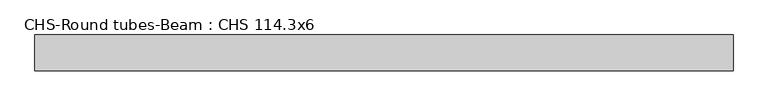
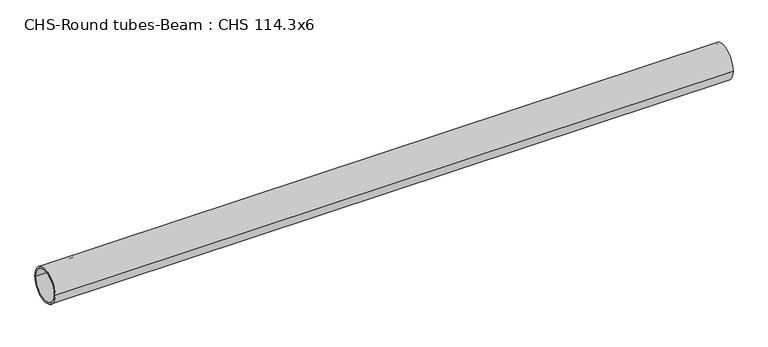
"""IFC4 building model written with IfcOpenShell, lengths in millimetres: beam geometry, CHS-Round tubes-Beam : CHS 114.3x6."""

import ifcopenshell
import ifcopenshell.guid

model = None  # the IFC model being written
_history = None  # IfcOwnerHistory: only IFC2X3 demands one
_inside = {}  # id of a spatial element -> (the spatial element, [elements in it])
_under = {}  # id of a project, library or spatial element -> (it, [spatial elements below it])
_declared = {}  # id of a project -> (the project, [libraries it declares])
_typed = {}  # id of a type object -> (the type object, [elements of that type])
_made_of = {}  # id of a material, layer set ... -> (it, [elements and type objects made of it])


def new_model(schema):
    """Start an empty IFC model of exactly this schema.

    Asked for "IFC4X3", IfcOpenShell would pick the latest addendum, in which some entities
    have other attributes; the version numbers below select the first issue.
    IFC2X3 requires an IfcOwnerHistory on every rooted entity: one is made here for all.
    """
    global model, _history
    if schema == "IFC4X3":
        model = ifcopenshell.file(schema_version=(4, 3, 0, 0))
    else:
        model = ifcopenshell.file(schema=schema)
    _inside.clear()
    _under.clear()
    _declared.clear()
    _typed.clear()
    _made_of.clear()
    _history = None
    if model.schema == "IFC2X3":
        org = make("IfcOrganization", Name="unknown")
        user = make(
            "IfcPersonAndOrganization",
            ThePerson=make("IfcPerson", FamilyName="unknown"),
            TheOrganization=org,
        )
        app = make(
            "IfcApplication",
            ApplicationDeveloper=org,
            Version="unknown",
            ApplicationFullName="unknown",
            ApplicationIdentifier="unknown",
        )
        _history = make(
            "IfcOwnerHistory",
            OwningUser=user,
            OwningApplication=app,
            ChangeAction="ADDED",
            CreationDate=0,
        )
    return model


def make(cls, **values):
    """One entity of the class cls with the attributes given. An attribute that is None is left unset."""
    return model.create_entity(
        cls, **{name: value for name, value in values.items() if value is not None}
    )


def rooted(cls, **values):
    """An entity with a GlobalId (a new one), such as an element, a storey or a relation."""
    return make(cls, GlobalId=ifcopenshell.guid.new(), OwnerHistory=_history, **values)


def si_unit(unit_type, name, prefix=None):
    """IfcSIUnit, for example si_unit("LENGTHUNIT", "METRE", prefix="MILLI")."""
    return make("IfcSIUnit", UnitType=unit_type, Prefix=prefix, Name=name)


def assignment(units):
    """IfcUnitAssignment: the units of a project."""
    return None if units is None else make("IfcUnitAssignment", Units=units)


def point(xyz):
    """IfcCartesianPoint."""
    return None if xyz is None else make("IfcCartesianPoint", Coordinates=xyz)


def direction(xyz):
    """IfcDirection."""
    return None if xyz is None else make("IfcDirection", DirectionRatios=xyz)


def frame(location, z_axis=None, x_axis=None):
    """IfcAxis2Placement3D, a coordinate frame: its origin and axes. An axis left out is left unset."""
    return make(
        "IfcAxis2Placement3D",
        Location=point(location),
        Axis=direction(z_axis),
        RefDirection=direction(x_axis),
    )


def frame_2d(location, x_axis=None):
    """IfcAxis2Placement2D, a coordinate frame in the plane: its origin and x axis."""
    return make(
        "IfcAxis2Placement2D", Location=point(location), RefDirection=direction(x_axis)
    )


def origin():
    """The frame at (0, 0, 0) with its axes left unset."""
    return frame((0.0, 0.0, 0.0))


def origin_2d():
    """The frame at (0, 0) in the plane with its x axis left unset."""
    return frame_2d((0.0, 0.0))


def place(relative_to, where):
    """IfcLocalPlacement: puts the frame where relative to a parent placement (None: the world)."""
    return make(
        "IfcLocalPlacement", PlacementRelTo=relative_to, RelativePlacement=where
    )


def context(
    kind, dimensions, precision=None, world=None, true_north=None, identifier=None
):
    """IfcGeometricRepresentationContext, for example the 3D "Model" context."""
    return make(
        "IfcGeometricRepresentationContext",
        ContextIdentifier=identifier,
        ContextType=kind,
        CoordinateSpaceDimension=dimensions,
        Precision=precision,
        WorldCoordinateSystem=world,
        TrueNorth=true_north,
    )


def project(units=None, contexts=None):
    """IfcProject with its units and contexts."""
    return rooted(
        "IfcProject",
        Name="project",
        RepresentationContexts=contexts,
        UnitsInContext=assignment(units),
    )


def spatial(cls, under=None, at=None, **own):
    """A site, building, storey or space (cls), placed at a placement, below another one or the project."""
    s = rooted(cls, ObjectPlacement=at, **own)
    if under is not None:
        _under.setdefault(under.id(), (under, []))[1].append(s)
    return s


def circle_curve(where, radius):
    """IfcCircle in the frame where."""
    return make("IfcCircle", Position=where, Radius=radius)


def trimmed(basis, trim1, trim2, sense, master):
    """IfcTrimmedCurve: the piece of a basis curve between two trims."""
    return make(
        "IfcTrimmedCurve",
        BasisCurve=basis,
        Trim1=trim1,
        Trim2=trim2,
        SenseAgreement=sense,
        MasterRepresentation=master,
    )


def segment(curve, same_sense, transition):
    """IfcCompositeCurveSegment."""
    return make(
        "IfcCompositeCurveSegment",
        Transition=transition,
        SameSense=same_sense,
        ParentCurve=curve,
    )


def composite_curve(segments, self_intersect=None):
    """IfcCompositeCurve: segments joined end to end."""
    return make("IfcCompositeCurve", Segments=segments, SelfIntersect=self_intersect)


def outline(outer, holes=None, kind="AREA"):
    """IfcArbitraryClosedProfileDef: a profile drawn as a closed curve; with holes, ...WithVoids."""
    if holes is None:
        return make("IfcArbitraryClosedProfileDef", ProfileType=kind, OuterCurve=outer)
    return make(
        "IfcArbitraryProfileDefWithVoids",
        ProfileType=kind,
        OuterCurve=outer,
        InnerCurves=holes,
    )


def extrude(swept, where, along, depth):
    """IfcExtrudedAreaSolid: the profile swept, set in the frame where, extruded along a direction by depth."""
    return make(
        "IfcExtrudedAreaSolid",
        SweptArea=swept,
        Position=where,
        ExtrudedDirection=direction(along),
        Depth=depth,
    )


def shape(context_of_items, identifier, shape_type, items):
    """IfcShapeRepresentation: the items that make up one representation, for example the "Body"."""
    return make(
        "IfcShapeRepresentation",
        ContextOfItems=context_of_items,
        RepresentationIdentifier=identifier,
        RepresentationType=shape_type,
        Items=items,
    )


def source(mapping_origin, context_of_items, identifier, shape_type, items):
    """IfcRepresentationMap: a shape defined once, which mapped items show again and again."""
    return make(
        "IfcRepresentationMap",
        MappingOrigin=mapping_origin,
        MappedRepresentation=shape(context_of_items, identifier, shape_type, items),
    )


def transform(
    local_origin,
    x_axis=None,
    y_axis=None,
    z_axis=None,
    scale=None,
    scale2=None,
    scale3=None,
    uniform=True,
):
    """IfcCartesianTransformationOperator3D, or its non-uniform kind. x_axis, y_axis, z_axis: its Axis1, 2, 3."""
    if uniform:
        return make(
            "IfcCartesianTransformationOperator3D",
            Axis1=direction(x_axis),
            Axis2=direction(y_axis),
            LocalOrigin=point(local_origin),
            Scale=scale,
            Axis3=direction(z_axis),
        )
    return make(
        "IfcCartesianTransformationOperator3DnonUniform",
        Axis1=direction(x_axis),
        Axis2=direction(y_axis),
        LocalOrigin=point(local_origin),
        Scale=scale,
        Axis3=direction(z_axis),
        Scale2=scale2,
        Scale3=scale3,
    )


def mapped(mapping_source, mapping_target):
    """IfcMappedItem: shows the shape of a source again, moved by a transform."""
    return make(
        "IfcMappedItem", MappingSource=mapping_source, MappingTarget=mapping_target
    )


def made_of(thing, what):
    """Note that an element or type object is made of a material, layer set ...; save() writes the relation."""
    if what is not None:
        _made_of.setdefault(what.id(), (what, []))[1].append(thing)
    return thing


def element(
    cls,
    number,
    at=None,
    inside=None,
    cuts=None,
    type_object=None,
    material=None,
    context=None,
    identifier="Body",
    shape_type=None,
    held_by="IfcProductDefinitionShape",
    body=None,
    shapes=None,
    **own,
):
    """One element of the class cls, such as IfcWall. Its Tag is "e" and its number.

    at: its placement. inside: the storey or other place that contains it. cuts: it is an
    opening in that element (IfcRelVoidsElement). A single representation is given by context,
    identifier, shape_type and body (its items); several are given by shapes. held_by: the class
    of the entity that holds the representations. save() writes the other relations.
    """
    e = rooted(cls, Tag="e%d" % number, ObjectPlacement=at, **own)
    if body is not None:
        shapes = [shape(context, identifier, shape_type, body)]
    if shapes is not None:
        e.Representation = make(held_by, Representations=shapes)
    if inside is not None:
        _inside.setdefault(inside.id(), (inside, []))[1].append(e)
    if cuts is not None:
        rooted(
            "IfcRelVoidsElement", RelatingBuildingElement=cuts, RelatedOpeningElement=e
        )
    if type_object is not None:
        _typed.setdefault(type_object.id(), (type_object, []))[1].append(e)
    return made_of(e, material)


def aggregate(whole, parts):
    """IfcRelAggregates: a whole, such as a stair, and the parts it consists of."""
    return rooted("IfcRelAggregates", RelatingObject=whole, RelatedObjects=parts)


def save(model, path):
    """Write the relations noted so far, then the file.

    IfcRelAggregates (storeys below a building ...), IfcRelContainedInSpatialStructure (elements
    in a storey), IfcRelDefinesByType, IfcRelAssociatesMaterial and IfcRelDeclares: one each for
    every whole, place, type object, material and project.
    """
    for whole, parts in _under.values():
        aggregate(whole, parts)
    for where, things in _inside.values():
        rooted(
            "IfcRelContainedInSpatialStructure",
            RelatedElements=things,
            RelatingStructure=where,
        )
    for kind, things in _typed.values():
        rooted("IfcRelDefinesByType", RelatedObjects=things, RelatingType=kind)
    for what, things in _made_of.values():
        rooted("IfcRelAssociatesMaterial", RelatedObjects=things, RelatingMaterial=what)
    for by, libraries in _declared.values():
        rooted("IfcRelDeclares", RelatingContext=by, RelatedDefinitions=libraries)
    model.write(path)


def chs_round_tubes_beam_chs_114_3x6_c266b05d(model_context):
    return source(origin(), model_context, "Body", "SweptSolid", [
        extrude(outline(composite_curve([segment(trimmed(circle_curve(origin_2d(), 57.15), [point((57.15, 0.0))], [point((-57.15, 0.0))], False, "CARTESIAN"), True, "CONTINUOUS"), segment(trimmed(circle_curve(origin_2d(), 57.15), [point((-57.15, 0.0))], [point((57.15, 0.0))], False, "CARTESIAN"), True, "CONTINUOUS")], self_intersect=False), holes=[composite_curve([segment(trimmed(circle_curve(origin_2d(), 51.15), [point((51.15, 0.0))], [point((-51.15, 0.0))], True, "CARTESIAN"), True, "CONTINUOUS"), segment(trimmed(circle_curve(origin_2d(), 51.15), [point((-51.15, 0.0))], [point((51.15, 0.0))], True, "CARTESIAN"), True, "CONTINUOUS")], self_intersect=False)]), frame((-942.9039007, 0.0, 0.0), z_axis=(1.0, 0.0, 0.0), x_axis=(0.0, 1.0, 0.0)), (0.0, 0.0, 1.0), 2235.3666835),
    ])


if __name__ == "__main__":
    model = new_model("IFC4")
    model_context = context("Model", 3, world=origin())
    ifc_project = project(units=[si_unit("LENGTHUNIT", "METRE", prefix="MILLI")], contexts=[model_context])
    site = spatial("IfcSite", under=ifc_project)
    building = spatial("IfcBuilding", under=site)
    placement = place(None, origin())
    chs_round_tubes_beam_chs_114_3x6_shape = chs_round_tubes_beam_chs_114_3x6_c266b05d(model_context)
    element("IfcBeam", 1, ObjectType="CHS-Round tubes-Beam : CHS 114.3x6", at=placement, inside=building, context=model_context, shape_type="MappedRepresentation", body=[
        mapped(chs_round_tubes_beam_chs_114_3x6_shape, transform((0.0, 0.0, 0.0), x_axis=(1.0, 0.0, 0.0), y_axis=(0.0, 1.0, 0.0), z_axis=(0.0, 0.0, 1.0))),
    ])
    save(model, "model.ifc")
